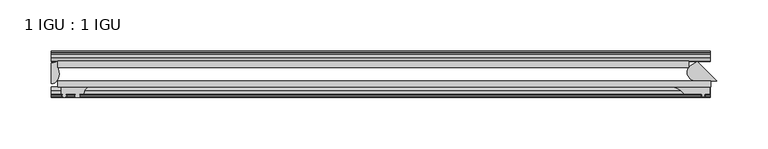
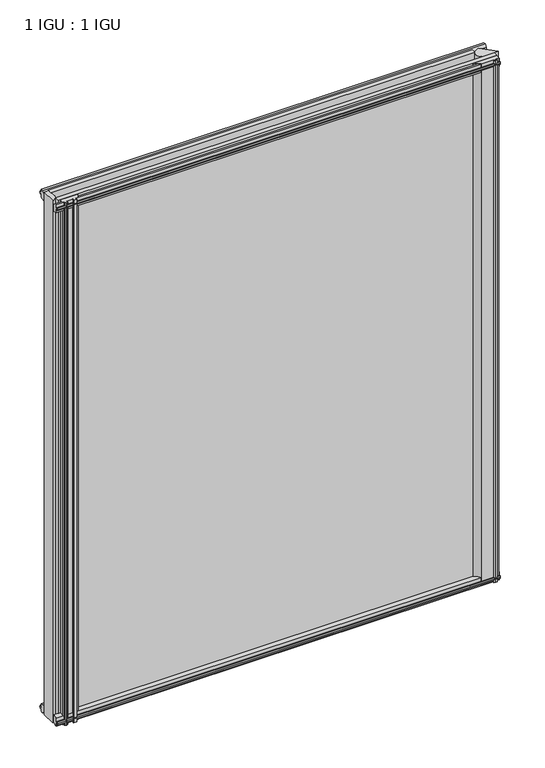
"""IFC4 building model written with IfcOpenShell, lengths in millimetres: plate geometry, 1 IGU : 1 IGU."""

from ifc_helpers import new_model, si_unit, point, frame, frame_2d, origin, place, context, project, spatial, polyline, circle_curve, ellipse_curve, trimmed, segment, composite_curve, outline, extrude, source, transform, mapped, element, save
from ifc_brep_helpers import plane_surface, cylinder_surface, revolved_surface, extruded_surface, advanced_brep


def plate_1_igu_1_igu_bea1d3a0(model_context):
    return source(origin(), model_context, "Body", "SolidModel", [
        extrude(outline(polyline([(-314.3261907, -38.6468937), (321.2715032, -38.6468937), (321.2715032, -44.9460938), (-314.3261907, -44.9460938), (-314.3261907, -38.6468937)])), frame((0.0, 0.0, -12.7), z_axis=(0.0, 0.0, 1.0), x_axis=(1.0, 0.0, 0.0)), (0.0, 0.0, 1.0), 800.0872996),
        extrude(outline(polyline([(-314.3261907, -19.5460937), (299.939472, -19.5460937), (299.939472, -25.8960938), (-314.3261907, -25.8960938), (-314.3261907, -19.5460937)])), frame((0.0, 0.0, -12.7), z_axis=(0.0, 0.0, 1.0), x_axis=(1.0, 0.0, 0.0)), (0.0, 0.0, 1.0), 800.0872996),
        extrude(outline(composite_curve([segment(polyline([(308.3479936, -19.9178967), (327.0769907, -38.6468938), (305.9733448, -38.6468938)]), True, "CONTINUOUS"), segment(trimmed(circle_curve(frame_2d((306.7635261, -30.324123)), 8.3601973), [point((305.9733448, -38.6468938))], [point((300.5961133, -24.6800183))], False, "CARTESIAN"), True, "CONTINUOUS"), segment(polyline([(300.5961133, -24.6800183), (308.3479936, -19.9178967)]), True, "CONTINUOUS")], self_intersect=False)), frame((0.0, 0.0, -12.4587), z_axis=(0.0, 0.0, 1.0), x_axis=(1.0, 0.0, 0.0)), (0.0, 0.0, 1.0), 799.8459996),
        advanced_brep(
        [(-320.6761907, -21.1706006, -12.7), (-314.3275788, -19.5461438, -12.7), (-314.3275788, -25.8549351, -12.7), (-313.1522276, -32.21431, -12.7), (-320.6761907, -41.5384043, -12.7), (-320.6761907, -21.1706006, 787.3872996), (-320.6761907, -41.5384043, 787.3872996), (-313.1522276, -32.21431, 787.3872996), (-314.3275788, -25.8549351, 787.3872996), (-314.3275788, -19.5461438, 787.3872996)],
        [
            (0, 1, circle_curve(frame((-320.6767601, -7.9505008, -12.7), z_axis=(0.0, 0.0, 1.0), x_axis=(1.0, 0.0, 0.0)), 13.2200998)),
            (1, 2),
            (2, 3, circle_curve(frame((-331.2145919, -32.2643264, -12.7), z_axis=(0.0, 0.0, -1.0), x_axis=(1.0, 0.0, 0.0)), 18.0624336)),
            (3, 4, ellipse_curve(frame((-320.6753578, -32.2460921, -12.7), z_axis=(0.0, 0.0, -1.0), x_axis=(0.0, -1.0, 0.0)), 9.2923123, 7.5231742)),
            (4, 0),
            (5, 6),
            (6, 7, ellipse_curve(frame((-320.6753578, -32.2460921, 787.3872996), z_axis=(0.0, 0.0, 1.0), x_axis=(0.0, -1.0, 0.0)), 9.2923123, 7.5231742)),
            (7, 8, circle_curve(frame((-331.2145919, -32.2643264, 787.3872996), z_axis=(0.0, 0.0, 1.0), x_axis=(1.0, 0.0, 0.0)), 18.0624336)),
            (8, 9),
            (9, 5, circle_curve(frame((-320.6767601, -7.9505008, 787.3872996), z_axis=(0.0, 0.0, -1.0), x_axis=(1.0, 0.0, 0.0)), 13.2200998)),
            (0, 5),
            (9, 1),
            (8, 2),
            (7, 3),
            (6, 4),
        ],
        [
            plane_surface(frame((-320.6761907, -13.1960937, -12.7), z_axis=(0.0, 0.0, -1.0), x_axis=(0.0, 1.0, 0.0))),
            plane_surface(frame((-320.6761907, -13.1960937, 787.3872996), z_axis=(0.0, 0.0, 1.0), x_axis=(0.0, 1.0, 0.0))),
            revolved_surface(polyline([(-307.4566603, -7.9505008, 787.3872996), (-307.4566603, -7.9505008, -12.7)]), (-320.6767601, -7.9505008, -12.7), (0.0, 0.0, 1.0)),
            plane_surface(frame((-314.3275788, -19.5461438, -12.7), z_axis=(1.0, 0.0, 0.0), x_axis=(0.0, 0.0, 1.0))),
            cylinder_surface(frame((-331.2145919, -32.2643264, -12.7), z_axis=(0.0, 0.0, -1.0), x_axis=(1.0, 0.0, 0.0)), 18.0624336),
            extruded_surface(trimmed(ellipse_curve(frame((-320.6753578, -32.2460921, 787.3872996), z_axis=(0.0, 0.0, -1.0), x_axis=(0.0, -1.0, 0.0)), 9.2923123, 7.5231742), [point((-313.1522276, -32.21431, 787.3872996))], [point((-320.6761907, -41.5384043, 787.3872996))], True, "CARTESIAN"), (0.0, 0.0, -800.0872996), 800.0872996),
            plane_surface(frame((-320.6761907, -41.5384043, -12.7), z_axis=(-1.0, 0.0, 0.0), x_axis=(0.0, 0.0, 1.0))),
        ],
        [
            (0, [[1, 2, 3, 4, 5]]),
            (1, [[6, 7, 8, 9, 10]]),
            (2, [[-1, 11, -10, 12]]),
            (3, [[-2, -12, -9, 13]]),
            (4, [[-3, -13, -8, 14]]),
            (5, [[-4, -14, -7, 15]]),
            (6, [[-5, -15, -6, -11]]),
        ],
    ),
        extrude(outline(composite_curve([segment(polyline([(320.3668505, -44.9460938), (320.3668505, -51.2960938), (315.2868505, -51.2960938), (314.9693505, -53.4006957), (316.1879564, -53.0741712), (316.3917505, -53.8347412), (314.0168505, -54.4710938), (311.6419505, -53.8347412), (311.8457446, -53.0741712), (313.0643505, -53.4006957), (312.7468505, -51.2960938), (295.3478505, -51.2960938)]), True, "CONTINUOUS"), segment(trimmed(circle_curve(frame_2d((281.8178467, -61.7346627)), 17.0887309), [point((295.3478505, -51.2960938))], [point((285.0066828, -44.9460938))], True, "CARTESIAN"), True, "CONTINUOUS"), segment(polyline([(285.0066828, -44.9460938), (320.3668505, -44.9460938)]), True, "CONTINUOUS")], self_intersect=False)), frame((0.0, 0.0, -11.938), z_axis=(0.0, 0.0, 1.0), x_axis=(1.0, 0.0, 0.0)), (0.0, 0.0, 1.0), 799.0839997),
        extrude(outline(polyline([(-44.9460937, 1.7177181), (-44.9460937, -9.1036578), (-48.3496937, -11.938), (-51.2960937, -11.938), (-51.2960937, -7.493), (-53.6762907, -7.112), (-53.2163575, -8.5275291), (-54.0175717, -8.5275291), (-54.7250937, -6.35), (-54.0175717, -4.1724709), (-53.2163575, -4.1724709), (-53.6762907, -5.588), (-51.2960937, -5.207), (-51.2960937, 0.0), (-44.9460937, 1.7177181)])), frame((-320.6761907, 0.0, 0.0), z_axis=(1.0, 0.0, 0.0), x_axis=(0.0, 1.0, 0.0)), (0.0, 0.0, 1.0), 641.3523814),
        extrude(outline(polyline([(-13.1960937, -12.4587), (-16.1424937, -12.4587), (-19.5460937, -9.6243578), (-19.5460937, 1.1970181), (-13.1960937, -0.5207), (-13.1960937, -5.7277), (-10.8158968, -6.1087), (-11.27583, -4.6931709), (-10.4746158, -4.6931709), (-9.7670937, -6.8707), (-10.4746158, -9.0482291), (-11.27583, -9.0482291), (-10.8158968, -7.6327), (-13.1960937, -8.0137), (-13.1960937, -12.4587)])), frame((-320.6761907, 0.0, 0.0), z_axis=(1.0, 0.0, 0.0), x_axis=(0.0, 1.0, 0.0)), (0.0, 0.0, 1.0), 641.3523814),
        extrude(outline(polyline([(-51.2960937, 786.6252996), (-48.3496937, 786.6252996), (-44.9460937, 783.7909574), (-44.9460937, 772.9695815), (-51.2960937, 774.6872996), (-51.2960937, 779.8942996), (-53.6762907, 780.2752996), (-53.2163575, 778.8597705), (-54.0175717, 778.8597705), (-54.7250937, 781.0372996), (-54.0175717, 783.2148286), (-53.2163575, 783.2148286), (-53.6762907, 781.7992996), (-51.2960937, 782.1802996), (-51.2960937, 786.6252996)])), frame((-320.6761907, 0.0, 0.0), z_axis=(1.0, 0.0, 0.0), x_axis=(0.0, 1.0, 0.0)), (0.0, 0.0, 1.0), 641.3523814),
        extrude(outline(polyline([(-19.5460937, 773.4902815), (-19.5460937, 784.3116574), (-16.1424937, 787.1459996), (-13.1960937, 787.1459996), (-13.1960937, 782.7009996), (-10.8158968, 782.3199996), (-11.27583, 783.7355286), (-10.4746158, 783.7355286), (-9.7670937, 781.5579996), (-10.4746158, 779.3804705), (-11.27583, 779.3804705), (-10.8158968, 780.7959996), (-13.1960937, 780.4149996), (-13.1960937, 775.2079996), (-19.5460937, 773.4902815)])), frame((-320.6761907, 0.0, 0.0), z_axis=(1.0, 0.0, 0.0), x_axis=(0.0, 1.0, 0.0)), (0.0, 0.0, 1.0), 641.3523814),
        extrude(outline(composite_curve([segment(trimmed(circle_curve(frame_2d((-279.9102594, -51.9750196)), 9.0414579), [point((-285.5972763, -44.9460938))], [point((-288.9261909, -51.2960938))], True, "CARTESIAN"), True, "CONTINUOUS"), segment(polyline([(-288.9261909, -51.2960938), (-293.1679909, -51.2960938)]), True, "CONTINUOUS"), segment(trimmed(circle_curve(frame_2d((-293.1679909, -51.7532938)), 0.4572), [point((-293.1679909, -51.2960938))], [point((-293.5068087, -52.0602698))], True, "CARTESIAN"), True, "CONTINUOUS"), segment(trimmed(circle_curve(frame_2d((-295.2761909, -53.663367)), 2.3876), [point((-293.5068087, -52.0602698))], [point((-293.2055479, -54.8520938))], False, "CARTESIAN"), True, "CONTINUOUS"), segment(polyline([(-293.2055479, -54.8520938), (-297.3468339, -54.8520938)]), True, "CONTINUOUS"), segment(trimmed(circle_curve(frame_2d((-295.2761909, -53.663367)), 2.3876), [point((-297.3468339, -54.8520938))], [point((-297.045573, -52.0602698))], False, "CARTESIAN"), True, "CONTINUOUS"), segment(trimmed(circle_curve(frame_2d((-297.3843909, -51.7532938)), 0.4572), [point((-297.045573, -52.0602698))], [point((-297.3843909, -51.2960938))], True, "CARTESIAN"), True, "CONTINUOUS"), segment(polyline([(-297.3843909, -51.2960938), (-306.4521909, -51.2960938), (-306.4521909, -52.9470938), (-305.3745601, -52.9470938)]), True, "CONTINUOUS"), segment(trimmed(circle_curve(frame_2d((-306.4521909, -52.9470938)), 1.0776307), [point((-305.3745601, -52.9470938))], [point((-305.6901909, -53.7090938))], False, "CARTESIAN"), True, "CONTINUOUS"), segment(polyline([(-305.6901909, -53.7090938), (-307.4294833, -54.8194621)]), True, "CONTINUOUS"), segment(trimmed(circle_curve(frame_2d((-307.9761909, -53.9630938)), 1.016), [point((-307.4294833, -54.8194621))], [point((-308.5228985, -54.8194621))], False, "CARTESIAN"), True, "CONTINUOUS"), segment(polyline([(-308.5228985, -54.8194621), (-310.2621909, -53.7090938)]), True, "CONTINUOUS"), segment(trimmed(circle_curve(frame_2d((-309.5001909, -52.9470938)), 1.0776307), [point((-310.2621909, -53.7090938))], [point((-310.5778216, -52.9470938))], False, "CARTESIAN"), True, "CONTINUOUS"), segment(polyline([(-310.5778216, -52.9470938), (-309.5001909, -52.9470938), (-309.5001909, -51.2960938), (-311.1511909, -51.2960938), (-311.1511909, -44.9460938), (-285.5972763, -44.9460938)]), True, "CONTINUOUS")], self_intersect=False)), frame((0.0, 0.0, -12.7), z_axis=(0.0, 0.0, 1.0), x_axis=(1.0, 0.0, 0.0)), (0.0, 0.0, 1.0), 800.0872997),
    ])


if __name__ == "__main__":
    model = new_model("IFC4")
    model_context = context("Model", 3, world=origin())
    ifc_project = project(units=[si_unit("LENGTHUNIT", "METRE", prefix="MILLI")], contexts=[model_context])
    site = spatial("IfcSite", under=ifc_project)
    building = spatial("IfcBuilding", under=site)
    placement = place(None, origin())
    plate_1_igu_1_igu_shape = plate_1_igu_1_igu_bea1d3a0(model_context)
    element("IfcPlate", 1, ObjectType="1 IGU : 1 IGU", at=placement, inside=building, context=model_context, shape_type="MappedRepresentation", body=[
        mapped(plate_1_igu_1_igu_shape, transform((0.0, 0.0, 0.0), x_axis=(1.0, 0.0, 0.0), y_axis=(0.0, 1.0, 0.0), z_axis=(0.0, 0.0, 1.0))),
    ])
    save(model, "model.ifc")
